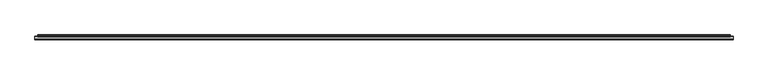
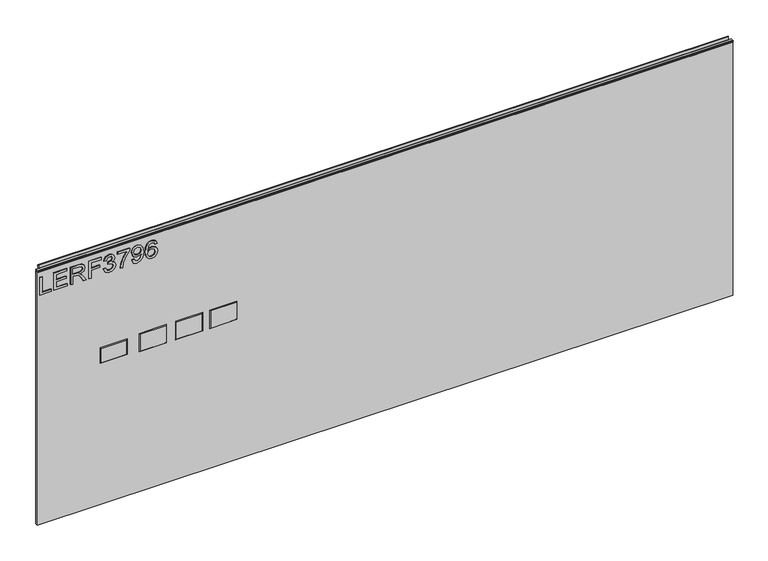
"""IFC4 building model written with IfcOpenShell, lengths in millimetres: furniture geometry."""

from ifc_helpers import new_model, si_unit, frame, origin, place, context, project, spatial, polyline, outline, extrude, faceted_brep, source, transform, mapped, element, save


def furniture_cba602f1(model_context):
    return source(origin(), model_context, "Body", "SolidModel", [
        extrude(outline(polyline([(949.9276297, -291.2189953), (949.9276297, -251.3503972), (957.9013493, -251.3503972), (957.9013493, -283.2452757), (1013.7173866, -283.2452757), (1013.7173866, -291.2189953), (949.9276297, -291.2189953)])), frame((0.0, -5.5279467, 0.0), z_axis=(0.0, 1.0, 0.0), x_axis=(0.0, 0.0, 1.0)), (0.0, 0.0, 1.0), 2.38125),
        extrude(outline(polyline([(949.9276297, -242.3799627), (949.9276297, -195.5343599), (957.9013493, -195.5343599), (957.9013493, -234.4062431), (978.8323633, -234.4062431), (978.8323633, -198.5245048), (986.8060829, -198.5245048), (986.8060829, -234.4062431), (1005.743667, -234.4062431), (1005.743667, -196.5310749), (1013.7173866, -196.5310749), (1013.7173866, -242.3799627), (949.9276297, -242.3799627)])), frame((0.0, -5.5279467, 0.0), z_axis=(0.0, 1.0, 0.0), x_axis=(0.0, 0.0, 1.0)), (0.0, 0.0, 1.0), 2.38125),
        extrude(outline(polyline([(949.9276297, -183.5737805), (949.9276297, -175.6000609), (977.8356483, -175.6000609), (977.8356483, -165.9755321), (977.5553223, -161.3501518), (976.0368893, -157.5579629), (971.9020796, -153.3452848), (963.1496765, -147.3494214), (949.9276297, -139.0486547), (949.9276297, -129.7823204), (967.2144046, -140.4191378), (975.4217293, -146.8822113), (978.8323633, -151.4141496), (984.765932, -138.0597266), (996.2593013, -133.7380329), (1005.9071906, -136.3466228), (1011.996496, -143.3236275), (1013.7173866, -156.0862509), (1013.7173866, -183.5737805), (949.9276297, -183.5737805)]), holes=[polyline([(985.809368, -175.6000609), (1005.743667, -175.6000609), (1005.743667, -155.7436302), (1002.9871272, -145.0834523), (995.9634015, -141.7117525), (990.5515508, -143.4793642), (986.9384591, -148.649823), (985.809368, -157.7526338), (985.809368, -175.6000609)])]), frame((0.0, -5.5279467, 0.0), z_axis=(0.0, 1.0, 0.0), x_axis=(0.0, 0.0, 1.0)), (0.0, 0.0, 1.0), 2.38125),
        extrude(outline(polyline([(949.9276297, -119.7840235), (949.9276297, -111.8103039), (978.8323633, -111.8103039), (978.8323633, -81.9088554), (986.8060829, -81.9088554), (986.8060829, -111.8103039), (1005.743667, -111.8103039), (1005.743667, -76.9252806), (1013.7173866, -76.9252806), (1013.7173866, -119.7840235), (949.9276297, -119.7840235)])), frame((0.0, -5.5279467, 0.0), z_axis=(0.0, 1.0, 0.0), x_axis=(0.0, 0.0, 1.0)), (0.0, 0.0, 1.0), 2.38125),
        extrude(outline(polyline([(966.8717839, -68.951561), (953.9300632, -62.6130768), (948.9309147, -48.6279202), (950.3948398, -40.1052286), (954.7866151, -33.1944121), (961.2808359, -28.6157528), (969.0520978, -27.089533), (979.4241628, -30.1419725), (984.8749477, -38.832081), (990.1544222, -32.2911391), (997.505195, -30.0796778), (1005.5489961, -32.4079417), (1011.5292858, -39.1357676), (1013.7173866, -48.7525095), (1009.2788904, -61.4294778), (996.7732324, -67.954846), (995.7765175, -59.9811264), (1003.2518796, -56.072135), (1005.743667, -48.4721834), (1003.2752401, -40.965674), (997.0379848, -38.0533975), (989.9986855, -42.0714046), (987.8027979, -52.3967486), (979.8290782, -53.2844478), (980.7012038, -47.6934999), (977.4385197, -38.6296233), (969.1922609, -35.0632526), (960.4398577, -38.6607706), (956.9046343, -48.3475941), (959.4742901, -56.5782793), (967.8684988, -60.9778414), (966.8717839, -68.951561)])), frame((0.0, -5.5279467, 0.0), z_axis=(0.0, 1.0, 0.0), x_axis=(0.0, 0.0, 1.0)), (0.0, 0.0, 1.0), 2.38125),
        extrude(outline(polyline([(1004.7469521, -20.1125283), (1004.7469521, 13.7757801), (988.2466475, 1.7217586), (967.9152198, -6.9761367), (949.9276297, -10.1453788), (949.9276297, -2.1716592), (967.2611256, 0.7873383), (989.1187731, 9.8745754), (1006.2731718, 21.7494997), (1012.7206717, 21.7494997), (1012.7206717, -20.1125283), (1004.7469521, -20.1125283)])), frame((0.0, -5.5279467, 0.0), z_axis=(0.0, 1.0, 0.0), x_axis=(0.0, 0.0, 1.0)), (0.0, 0.0, 1.0), 2.38125),
        extrude(outline(polyline([(965.8750689, 29.7232193), (953.3771978, 35.4387566), (948.9309147, 47.6952358), (952.6997431, 60.0062228), (963.6713945, 67.9254346), (983.0372545, 70.5885323), (1000.8846816, 67.9176477), (1010.384621, 60.0996648), (1013.7173866, 48.7386717), (1012.257355, 40.8642343), (1007.87726, 34.4342548), (1001.102713, 30.153442), (992.4593255, 28.7265043), (977.5241749, 34.1695024), (971.8553586, 47.4927781), (974.1758356, 56.2373944), (978.6610529, 62.6615337), (969.4102923, 61.5090821), (962.4800086, 58.9004922), (958.4230673, 54.5242906), (956.9046343, 48.0690039), (959.2640455, 41.2788833), (966.8717839, 37.6969389), (965.8750689, 29.7232193)]), holes=[polyline([(992.6462096, 62.6148127), (983.2319254, 59.0095079), (979.8290782, 49.8132551), (983.2319254, 40.2354473), (992.0699838, 36.700224), (1001.9359044, 40.437905), (1005.743667, 50.0312864), (1002.2084437, 59.1730314), (992.6462096, 62.6148127)])]), frame((0.0, -5.5279467, 0.0), z_axis=(0.0, 1.0, 0.0), x_axis=(0.0, 0.0, 1.0)), (0.0, 0.0, 1.0), 2.38125),
        extrude(outline(polyline([(996.7732324, 118.43085), (1009.2165957, 112.5440024), (1013.7173866, 99.9449024), (1011.8991605, 90.6902483), (1006.4444822, 83.5458267), (995.58574, 78.3130732), (979.7044889, 76.5688221), (965.5791692, 78.1398161), (956.0948034, 82.8527984), (950.7218869, 90.057568), (948.9309147, 99.1039242), (951.6329467, 109.5538575), (959.4197822, 116.7956146), (970.4225809, 119.427565), (978.5948648, 118.029828), (985.1085528, 113.8366171), (990.7929427, 100.2875232), (988.7138576, 91.5740542), (982.352013, 84.5425417), (996.5629879, 86.8085108), (1003.8125318, 92.2515089), (1005.743667, 99.4465449), (1002.4264751, 107.4358382), (995.7765175, 110.4571304), (996.7732324, 118.43085)]), holes=[polyline([(970.5471703, 84.5425417), (979.4319496, 88.506041), (982.8192231, 98.1539302), (979.4319496, 107.9264089), (970.1578285, 111.4538454), (960.471005, 107.8796879), (956.9046343, 98.4809773), (958.625525, 91.2937281), (963.6402471, 86.3880217), (970.5471703, 84.5425417)])]), frame((0.0, -5.5279467, 0.0), z_axis=(0.0, 1.0, 0.0), x_axis=(0.0, 0.0, 1.0)), (0.0, 0.0, 1.0), 2.38125),
        faceted_brep([(395.1398625, -5.2069939, 682.5742), (304.4618625, -5.2069939, 682.5742), (304.4618625, -5.2069939, 619.5822), (395.1398625, -5.2069939, 619.5822), (397.4258625, -3.1749939, 684.8602), (397.4258625, -3.1749939, 617.2962), (302.1758625, -3.1749939, 617.2962), (302.1758625, -3.1749939, 684.8602)], [[[0, 1, 2, 3]], [[4, 5, 6, 7]], [[4, 7, 1, 0]], [[7, 6, 2, 1]], [[6, 5, 3, 2]], [[5, 4, 0, 3]]]),
        faceted_brep([(276.3821625, -5.2069939, 682.5742), (185.7041625, -5.2069939, 682.5742), (185.7041625, -5.2069939, 619.5822), (276.3821625, -5.2069939, 619.5822), (278.6681625, -3.1749939, 684.8602), (278.6681625, -3.1749939, 617.2962), (183.4181625, -3.1749939, 617.2962), (183.4181625, -3.1749939, 684.8602)], [[[0, 1, 2, 3]], [[4, 5, 6, 7]], [[4, 7, 1, 0]], [[7, 6, 2, 1]], [[6, 5, 3, 2]], [[5, 4, 0, 3]]]),
        faceted_brep([(149.3821625, -5.2069939, 682.5742), (58.7041625, -5.2069939, 682.5742), (58.7041625, -5.2069939, 619.5822), (149.3821625, -5.2069939, 619.5822), (151.6681625, -3.1749939, 684.8602), (151.6681625, -3.1749939, 617.2962), (56.4181625, -3.1749939, 617.2962), (56.4181625, -3.1749939, 684.8602)], [[[0, 1, 2, 3]], [[4, 5, 6, 7]], [[4, 7, 1, 0]], [[7, 6, 2, 1]], [[6, 5, 3, 2]], [[5, 4, 0, 3]]]),
        faceted_brep([(13.1365625, -5.2069939, 677.1132), (-76.5254375, -5.2069939, 677.1132), (-76.5254375, -5.2069939, 625.0432), (13.1365625, -5.2069939, 625.0432), (15.4225625, -3.1749939, 679.3992), (15.4225625, -3.1749939, 622.7572), (-78.8114375, -3.1749939, 622.7572), (-78.8114375, -3.1749939, 679.3992)], [[[0, 1, 2, 3]], [[4, 5, 6, 7]], [[4, 7, 1, 0]], [[7, 6, 2, 1]], [[6, 5, 3, 2]], [[5, 4, 0, 3]]]),
        extrude(outline(polyline([(-298.196, 6.3500061), (2126.488, 6.3500061), (2126.488, -3.1749939), (-298.196, -3.1749939), (-298.196, 6.3500061)])), frame((0.0, 0.0, 101.6), z_axis=(0.0, 0.0, 1.0), x_axis=(1.0, 0.0, 0.0)), (0.0, 0.0, 1.0), 932.3578),
        extrude(outline(polyline([(5.5562561, 1041.4), (6.3500061, 1041.4), (6.3500061, 1051.27425), (7.1437561, 1052.068), (8.6677569, 1052.068), (10.0084363, 1051.6506926), (10.875413, 1050.5461816), (10.9623604, 1049.1447591), (10.2390011, 1046.1863459), (10.4046103, 1044.9833307), (11.6746103, 1042.7836103), (10.7786383, 1042.2663244), (7.1437561, 1042.2663244), (7.1437561, 1041.4), (6.3500061, 1041.1669239), (6.3500061, 1033.9578), (5.5562561, 1033.9578), (5.5562561, 1041.4)])), frame((-288.671, 0.0, 0.0), z_axis=(1.0, 0.0, 0.0), x_axis=(0.0, 1.0, 0.0)), (0.0, 0.0, 1.0), 2405.634),
        extrude(outline(polyline([(5.5562561, 1041.4), (5.5562561, 1038.2249996), (-3.975094, 1038.2249996), (-5.3492339, 1039.0183657), (-5.3492339, 1040.6066395), (-3.9751037, 1041.4), (5.5562561, 1041.4)])), frame((-298.196, 0.0, 0.0), z_axis=(1.0, 0.0, 0.0), x_axis=(0.0, 1.0, 0.0)), (0.0, 0.0, 1.0), 2424.684),
    ])


if __name__ == "__main__":
    model = new_model("IFC4")
    model_context = context("Model", 3, world=origin())
    ifc_project = project(units=[si_unit("LENGTHUNIT", "METRE", prefix="MILLI")], contexts=[model_context])
    site = spatial("IfcSite", under=ifc_project)
    building = spatial("IfcBuilding", under=site)
    placement = place(None, origin())
    furniture_shape = furniture_cba602f1(model_context)
    element("IfcFurniture", 1, at=placement, inside=building, context=model_context, shape_type="MappedRepresentation", body=[
        mapped(furniture_shape, transform((0.0, 0.0, 0.0), x_axis=(1.0, 0.0, 0.0), y_axis=(0.0, 1.0, 0.0), z_axis=(0.0, 0.0, 1.0))),
    ])
    save(model, "model.ifc")
